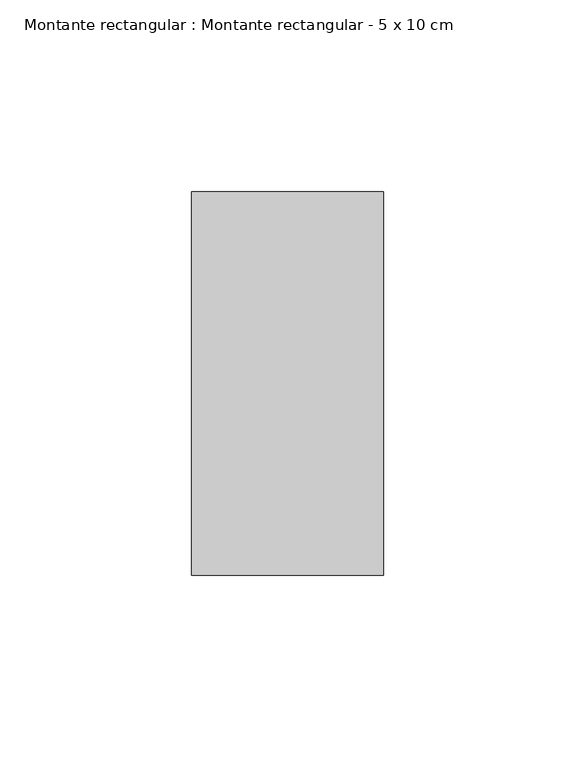
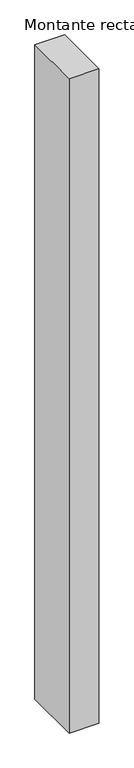
"""IFC4 building model written with IfcOpenShell, lengths in millimetres: member geometry, Montante rectangular : Montante rectangular - 5 x 10 cm."""

from ifc_helpers import new_model, si_unit, frame, origin, place, context, project, spatial, polyline, outline, extrude, source, transform, mapped, element, save


def montante_rectangular_montante_rectangular_5_x_10_cm_3f4917ad(model_context):
    return source(origin(), model_context, "Body", "SweptSolid", [
        extrude(outline(polyline([(0.0, 50.0), (0.0, -50.0), (-50.0, -50.0), (-50.0, 50.0), (0.0, 50.0)])), frame((0.0, 0.0, -1165.1190491), z_axis=(0.0, 0.0, 1.0), x_axis=(1.0, 0.0, 0.0)), (0.0, 0.0, 1.0), 1165.1190491),
    ])


if __name__ == "__main__":
    model = new_model("IFC4")
    model_context = context("Model", 3, world=origin())
    ifc_project = project(units=[si_unit("LENGTHUNIT", "METRE", prefix="MILLI")], contexts=[model_context])
    site = spatial("IfcSite", under=ifc_project)
    building = spatial("IfcBuilding", under=site)
    placement = place(None, origin())
    montante_rectangular_montante_rectangular_5_x_10_cm_shape = montante_rectangular_montante_rectangular_5_x_10_cm_3f4917ad(model_context)
    element("IfcMember", 1, ObjectType="Montante rectangular : Montante rectangular - 5 x 10 cm", at=placement, inside=building, context=model_context, shape_type="MappedRepresentation", body=[
        mapped(montante_rectangular_montante_rectangular_5_x_10_cm_shape, transform((0.0, 0.0, 0.0), x_axis=(1.0, 0.0, 0.0), y_axis=(0.0, 1.0, 0.0), z_axis=(0.0, 0.0, 1.0))),
    ])
    save(model, "model.ifc")
